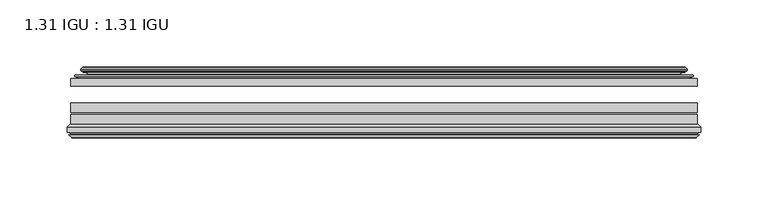
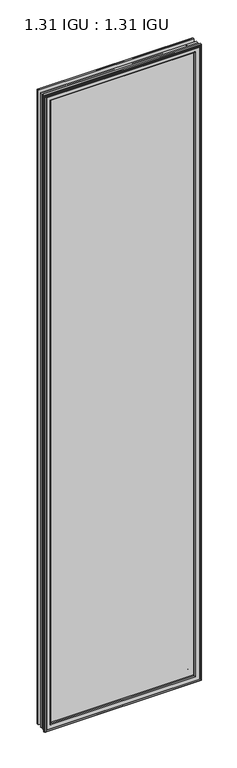
"""IFC4 building model written with IfcOpenShell, lengths in millimetres: plate geometry, 1.31 IGU : 1.31 IGU."""

from ifc_helpers import new_model, si_unit, frame, origin, place, context, project, spatial, polyline, ellipse_curve, outline, extrude, source, transform, mapped, element, save
from ifc_brep_helpers import plane_surface, cylinder_surface, revolved_surface, advanced_brep


def plate_1_31_igu_1_31_igu_45d13396(model_context):
    return source(origin(), model_context, "Body", "SolidModel", [
        extrude(outline(polyline([(233.3575649, -44.8960875), (233.3575649, -50.4332875), (-233.3625, -50.4332875), (-233.3625, -44.8960875), (233.3575649, -44.8960875)])), frame((0.0, 0.0, -14.2875), z_axis=(0.0, 0.0, 1.0), x_axis=(1.0, 0.0, 0.0)), (0.0, 0.0, 1.0), 2009.67848),
        extrude(outline(polyline([(-233.3625, -78.7796875), (-233.3625, -71.7692875), (233.3575649, -71.7692875), (233.3575649, -78.7796875), (-233.3625, -78.7796875)])), frame((0.0, 0.0, -14.2875), z_axis=(0.0, 0.0, 1.0), x_axis=(1.0, 0.0, 0.0)), (0.0, 0.0, 1.0), 2009.67848),
        extrude(outline(polyline([(-233.3625, -70.2452875), (-233.3625, -63.1332875), (233.3575649, -63.1332875), (233.3575649, -70.2452875), (-233.3625, -70.2452875)])), frame((0.0, 0.0, -14.2875), z_axis=(0.0, 0.0, 1.0), x_axis=(1.0, 0.0, 0.0)), (0.0, 0.0, 1.0), 2009.67848),
        advanced_brep(
        [(-224.0171755, -37.7373382, 1986.0456555), (-219.0755426, -36.3108875, 1981.1040226), (-219.0755426, -36.3108875, -0.0005426), (-224.0171755, -37.7373382, -4.9421755), (-223.8520702, -36.9605789, 1985.8805502), (-223.8520702, -36.9605789, -4.7770702), (-224.4475559, -36.4771203, 1986.4760359), (-224.4475559, -36.4771203, -5.3725559), (-225.7121917, -37.766076, 1987.7406717), (-225.7121917, -37.766076, -6.6371917), (-225.7013749, -38.8797852, 1987.7298549), (-225.7013749, -38.8797852, -6.6263749), (-224.4198897, -40.1361433, 1986.4483697), (-224.4198897, -40.1361433, -5.3448897), (-223.8148829, -39.649943, 1985.8433629), (-223.8148829, -39.649943, -4.7398829), (-224.3688972, -39.0959287, 1986.3973772), (-224.3688972, -39.0959287, -5.2938972), (-222.0830887, -38.7029881, 1984.1115687), (-222.0830887, -38.7029881, -3.0080887), (-220.6240157, -40.2107282, 1982.6524957), (-220.6240157, -40.2107282, -1.5490157), (-220.9205976, -41.651269, 1982.9490776), (-220.9205976, -41.651269, -1.8455976), (-221.6918221, -42.2798875, 1983.7203021), (-221.6918221, -42.2798875, -2.6168221), (-229.9957984, -43.4871542, 1992.0242784), (-229.7205969, -42.2798875, 1991.7490769), (-229.7205969, -42.2798875, -10.6455969), (-229.9957984, -43.4871542, -10.9207984), (-226.5382297, -44.8960875, 1988.5667097), (-226.5382297, -44.8960875, -7.4632297), (-215.4406059, -44.023302, 1977.4690859), (-215.7959439, -44.8960875, 1977.8244239), (-215.7959439, -44.8960875, 3.2790561), (-215.4406059, -44.023302, 3.6343941), (-216.111804, -43.3681812, 1978.140284), (-216.111804, -43.3681812, 2.963196), (-217.7525946, -40.6686056, 1979.7810746), (-217.7525946, -40.6686056, 1.3224054), (219.0755426, -36.3108875, -0.0005426), (224.0171755, -37.7373382, -4.9421755), (223.8520702, -36.9605789, -4.7770702), (224.4475559, -36.4771203, -5.3725559), (225.7121917, -37.766076, -6.6371917), (225.7013749, -38.8797852, -6.6263749), (224.4198897, -40.1361433, -5.3448897), (223.8148829, -39.649943, -4.7398829), (224.3688972, -39.0959287, -5.2938972), (222.0830887, -38.7029881, -3.0080887), (220.6240157, -40.2107282, -1.5490157), (220.9205976, -41.651269, -1.8455976), (221.6918221, -42.2798875, -2.6168221), (229.7205969, -42.2798875, -10.6455969), (229.9957984, -43.4871542, -10.9207984), (226.5382297, -44.8960875, -7.4632297), (215.7959439, -44.8960875, 3.2790561), (215.4406059, -44.023302, 3.6343941), (216.111804, -43.3681812, 2.963196), (217.7525946, -40.6686056, 1.3224054), (219.0755426, -36.3108875, 1981.1040226), (224.0171755, -37.7373382, 1986.0456555), (223.8520702, -36.9605789, 1985.8805502), (224.4475559, -36.4771203, 1986.4760359), (225.7121917, -37.766076, 1987.7406717), (225.7013749, -38.8797852, 1987.7298549), (224.4198897, -40.1361433, 1986.4483697), (223.8148829, -39.649943, 1985.8433629), (224.3688972, -39.0959287, 1986.3973772), (222.0830887, -38.7029881, 1984.1115687), (220.6240157, -40.2107282, 1982.6524957), (220.9205976, -41.651269, 1982.9490776), (221.6918221, -42.2798875, 1983.7203021), (229.7205969, -42.2798875, 1991.7490769), (229.9957984, -43.4871542, 1992.0242784), (226.5382297, -44.8960875, 1988.5667097), (215.7959439, -44.8960875, 1977.8244239), (215.4406059, -44.023302, 1977.4690859), (216.111804, -43.3681812, 1978.140284), (217.7525946, -40.6686056, 1979.7810746)],
        [
            (0, 1),
            (1, 2),
            (2, 3),
            (3, 0),
            (4, 0),
            (3, 5),
            (5, 4),
            (6, 4, ellipse_curve(frame((-224.1725871, -36.746901, 1986.2010671), z_axis=(-0.7071067811865475, 0.0, -0.7071067811865475), x_axis=(-0.7071067811865474, 0.0, 0.7071067811865476)), 0.5447741, 0.3852135)),
            (5, 7, ellipse_curve(frame((-224.1725871, -36.746901, -5.0975871), z_axis=(-0.7071067811865475, 0.0, 0.7071067811865475), x_axis=(0.7071067811865474, 0.0, 0.7071067811865476)), 0.5447741, 0.3852135)),
            (7, 6),
            (8, 6),
            (7, 9),
            (9, 8),
            (10, 8, ellipse_curve(frame((-225.1501387, -38.3175243, 1987.1786187), z_axis=(-0.7071067811865475, 0.0, -0.7071067811865475), x_axis=(-0.7071067811865474, 0.0, 0.7071067811865476)), 1.1135518, 0.7874)),
            (9, 11, ellipse_curve(frame((-225.1501387, -38.3175243, -6.0751387), z_axis=(-0.7071067811865475, 0.0, 0.7071067811865475), x_axis=(0.7071067811865474, 0.0, 0.7071067811865476)), 1.1135518, 0.7874)),
            (11, 10),
            (12, 10),
            (11, 13),
            (13, 12),
            (14, 12, ellipse_curve(frame((-224.1462922, -39.8570738, 1986.1747722), z_axis=(-0.7071067811865475, 0.0, -0.7071067811865475), x_axis=(-0.7071067811865474, 0.0, 0.7071067811865476)), 0.552694, 0.3908137)),
            (13, 15, ellipse_curve(frame((-224.1462922, -39.8570738, -5.0712922), z_axis=(-0.7071067811865475, 0.0, 0.7071067811865475), x_axis=(0.7071067811865474, 0.0, 0.7071067811865476)), 0.552694, 0.3908137)),
            (15, 14),
            (16, 14),
            (15, 17),
            (17, 16),
            (18, 16),
            (17, 19),
            (19, 18),
            (20, 18, ellipse_curve(frame((-221.8679261, -39.954629, 1983.8964061), z_axis=(0.7071067811865475, 0.0, 0.7071067811865475), x_axis=(0.7071067811865474, 0.0, -0.7071067811865476)), 1.7960512, 1.27)),
            (19, 21, ellipse_curve(frame((-221.8679261, -39.954629, -2.7929261), z_axis=(0.7071067811865475, 0.0, -0.7071067811865475), x_axis=(-0.7071067811865474, 0.0, -0.7071067811865476)), 1.7960512, 1.27)),
            (21, 20),
            (22, 20),
            (21, 23),
            (23, 22),
            (24, 22, ellipse_curve(frame((-221.6918221, -41.4924875, 1983.7203021), z_axis=(0.7071067811865475, 0.0, 0.7071067811865475), x_axis=(0.7071067811865474, 0.0, -0.7071067811865476)), 1.1135518, 0.7874)),
            (23, 25, ellipse_curve(frame((-221.6918221, -41.4924875, -2.6168221), z_axis=(0.7071067811865475, 0.0, -0.7071067811865475), x_axis=(-0.7071067811865474, 0.0, -0.7071067811865476)), 1.1135518, 0.7874)),
            (25, 24),
            (26, 27, ellipse_curve(frame((-229.7205969, -42.9148875, 1991.7490769), z_axis=(-0.7071067811865475, 0.0, -0.7071067811865475), x_axis=(-0.7071067811865474, 0.0, 0.7071067811865476)), 0.8980256, 0.635)),
            (27, 28),
            (28, 29, ellipse_curve(frame((-229.7205969, -42.9148875, -10.6455969), z_axis=(-0.7071067811865475, 0.0, 0.7071067811865475), x_axis=(0.7071067811865474, 0.0, 0.7071067811865476)), 0.8980256, 0.635)),
            (29, 26),
            (30, 26),
            (29, 31),
            (31, 30),
            (32, 33, ellipse_curve(frame((-215.7959439, -44.3873602, 1977.8244239), z_axis=(-0.7071067811865475, 0.0, -0.7071067811865475), x_axis=(-0.7071067811865474, 0.0, 0.7071067811865476)), 0.719449, 0.5087273)),
            (33, 34),
            (34, 35, ellipse_curve(frame((-215.7959439, -44.3873602, 3.2790561), z_axis=(-0.7071067811865475, 0.0, 0.7071067811865475), x_axis=(0.7071067811865474, 0.0, 0.7071067811865476)), 0.719449, 0.5087273)),
            (35, 32),
            (36, 32),
            (35, 37),
            (37, 36),
            (38, 36, ellipse_curve(frame((-211.6764298, -38.823959, 1973.7049098), z_axis=(0.7071067811865475, 0.0, 0.7071067811865475), x_axis=(0.7071067811865474, 0.0, -0.7071067811865476)), 8.9802561, 6.35)),
            (37, 39, ellipse_curve(frame((-211.6764298, -38.823959, 7.3985702), z_axis=(0.7071067811865475, 0.0, -0.7071067811865475), x_axis=(-0.7071067811865474, 0.0, -0.7071067811865476)), 8.9802561, 6.35)),
            (39, 38),
            (1, 38),
            (39, 2),
            (2, 40),
            (40, 41),
            (41, 3),
            (41, 42),
            (42, 5),
            (42, 43, ellipse_curve(frame((224.1725871, -36.746901, -5.0975871), z_axis=(-0.7071067811865475, 0.0, -0.7071067811865475), x_axis=(-0.7071067811865476, 0.0, 0.7071067811865474)), 0.5447741, 0.3852135)),
            (43, 7),
            (43, 44),
            (44, 9),
            (44, 45, ellipse_curve(frame((225.1501387, -38.3175243, -6.0751387), z_axis=(-0.7071067811865475, 0.0, -0.7071067811865475), x_axis=(-0.7071067811865476, 0.0, 0.7071067811865474)), 1.1135518, 0.7874)),
            (45, 11),
            (45, 46),
            (46, 13),
            (46, 47, ellipse_curve(frame((224.1462922, -39.8570738, -5.0712922), z_axis=(-0.7071067811865475, 0.0, -0.7071067811865475), x_axis=(-0.7071067811865476, 0.0, 0.7071067811865474)), 0.552694, 0.3908137)),
            (47, 15),
            (47, 48),
            (48, 17),
            (48, 49),
            (49, 19),
            (49, 50, ellipse_curve(frame((221.8679261, -39.954629, -2.7929261), z_axis=(0.7071067811865475, 0.0, 0.7071067811865475), x_axis=(0.7071067811865476, 0.0, -0.7071067811865474)), 1.7960512, 1.27)),
            (50, 21),
            (50, 51),
            (51, 23),
            (51, 52, ellipse_curve(frame((221.6918221, -41.4924875, -2.6168221), z_axis=(0.7071067811865475, 0.0, 0.7071067811865475), x_axis=(0.7071067811865476, 0.0, -0.7071067811865474)), 1.1135518, 0.7874)),
            (52, 25),
            (28, 53),
            (53, 54, ellipse_curve(frame((229.7205969, -42.9148875, -10.6455969), z_axis=(-0.7071067811865475, 0.0, -0.7071067811865475), x_axis=(-0.7071067811865476, 0.0, 0.7071067811865474)), 0.8980256, 0.635)),
            (54, 29),
            (54, 55),
            (55, 31),
            (34, 56),
            (56, 57, ellipse_curve(frame((215.7959439, -44.3873602, 3.2790561), z_axis=(-0.7071067811865475, 0.0, -0.7071067811865475), x_axis=(-0.7071067811865476, 0.0, 0.7071067811865474)), 0.719449, 0.5087273)),
            (57, 35),
            (57, 58),
            (58, 37),
            (58, 59, ellipse_curve(frame((211.6764298, -38.823959, 7.3985702), z_axis=(0.7071067811865475, 0.0, 0.7071067811865475), x_axis=(0.7071067811865476, 0.0, -0.7071067811865474)), 8.9802561, 6.35)),
            (59, 39),
            (59, 40),
            (40, 60),
            (60, 61),
            (61, 41),
            (61, 62),
            (62, 42),
            (62, 63, ellipse_curve(frame((224.1725871, -36.746901, 1986.2010671), z_axis=(0.7071067811865475, 0.0, -0.7071067811865475), x_axis=(-0.7071067811865474, 0.0, -0.7071067811865476)), 0.5447741, 0.3852135)),
            (63, 43),
            (63, 64),
            (64, 44),
            (64, 65, ellipse_curve(frame((225.1501387, -38.3175243, 1987.1786187), z_axis=(0.7071067811865475, 0.0, -0.7071067811865475), x_axis=(-0.7071067811865474, 0.0, -0.7071067811865476)), 1.1135518, 0.7874)),
            (65, 45),
            (65, 66),
            (66, 46),
            (66, 67, ellipse_curve(frame((224.1462922, -39.8570738, 1986.1747722), z_axis=(0.7071067811865475, 0.0, -0.7071067811865475), x_axis=(-0.7071067811865474, 0.0, -0.7071067811865476)), 0.552694, 0.3908137)),
            (67, 47),
            (67, 68),
            (68, 48),
            (68, 69),
            (69, 49),
            (69, 70, ellipse_curve(frame((221.8679261, -39.954629, 1983.8964061), z_axis=(-0.7071067811865475, 0.0, 0.7071067811865475), x_axis=(0.7071067811865474, 0.0, 0.7071067811865476)), 1.7960512, 1.27)),
            (70, 50),
            (70, 71),
            (71, 51),
            (71, 72, ellipse_curve(frame((221.6918221, -41.4924875, 1983.7203021), z_axis=(-0.7071067811865475, 0.0, 0.7071067811865475), x_axis=(0.7071067811865474, 0.0, 0.7071067811865476)), 1.1135518, 0.7874)),
            (72, 52),
            (53, 73),
            (73, 74, ellipse_curve(frame((229.7205969, -42.9148875, 1991.7490769), z_axis=(0.7071067811865475, 0.0, -0.7071067811865475), x_axis=(-0.7071067811865474, 0.0, -0.7071067811865476)), 0.8980256, 0.635)),
            (74, 54),
            (74, 75),
            (75, 55),
            (56, 76),
            (76, 77, ellipse_curve(frame((215.7959439, -44.3873602, 1977.8244239), z_axis=(0.7071067811865475, 0.0, -0.7071067811865475), x_axis=(-0.7071067811865474, 0.0, -0.7071067811865476)), 0.719449, 0.5087273)),
            (77, 57),
            (77, 78),
            (78, 58),
            (78, 79, ellipse_curve(frame((211.6764298, -38.823959, 1973.7049098), z_axis=(-0.7071067811865475, 0.0, 0.7071067811865475), x_axis=(0.7071067811865474, 0.0, 0.7071067811865476)), 8.9802561, 6.35)),
            (79, 59),
            (79, 60),
            (60, 1),
            (0, 61),
            (4, 62),
            (6, 63),
            (8, 64),
            (10, 65),
            (12, 66),
            (14, 67),
            (16, 68),
            (18, 69),
            (20, 70),
            (22, 71),
            (24, 72),
            (27, 73),
            (26, 74),
            (30, 75),
            (33, 76),
            (32, 77),
            (36, 78),
            (38, 79),
        ],
        [
            plane_surface(frame((-219.0755426, -36.3108875, 1981.1040226), z_axis=(-0.2773364928492854, 0.9607728502273877, 0.0), x_axis=(0.0, 0.0, -1.0))),
            plane_surface(frame((-224.0171755, -37.7373382, 1986.0456555), z_axis=(0.9781476007338358, -0.2079116908176177, 0.0), x_axis=(0.0, 0.0, -1.0))),
            cylinder_surface(frame((-224.1725871, -36.746901, 2012.85348), z_axis=(0.0, 0.0, 1.0), x_axis=(-1.0, 0.0, 0.0)), 0.3852135),
            plane_surface(frame((-224.4475559, -36.4771203, 1986.4760359), z_axis=(-0.7138087599382162, 0.7003406701280928, 0.0), x_axis=(0.0, 0.0, -1.0))),
            cylinder_surface(frame((-225.1501387, -38.3175243, 2012.85348), z_axis=(0.0, 0.0, 1.0), x_axis=(-1.0, 0.0, 0.0)), 0.7874),
            plane_surface(frame((-225.7013749, -38.8797852, 1987.7298549), z_axis=(-0.7000714109283732, -0.7140728391423082, 0.0), x_axis=(0.0, 0.0, -1.0))),
            cylinder_surface(frame((-224.1462922, -39.8570738, 2012.85348), z_axis=(0.0, 0.0, 1.0), x_axis=(-1.0, 0.0, 0.0)), 0.3908137),
            plane_surface(frame((-223.8148829, -39.649943, 1985.8433629), z_axis=(0.7071067811861126, 0.7071067811869826, 0.0), x_axis=(0.0, 0.0, -1.0))),
            plane_surface(frame((-224.3688972, -39.0959287, 1986.3973772), z_axis=(0.16941940671011482, -0.9855440449974789, 0.0), x_axis=(0.0, 0.0, -1.0))),
            revolved_surface(polyline([(-223.13792610000002, -39.954629, -4.062926082878221), (-223.13792610000002, -39.954629, 1985.1664060828782)]), (-221.8679261, -39.954629, 2012.85348), (0.0, 0.0, -1.0)),
            plane_surface(frame((-220.6240157, -40.2107282, 1982.6524957), z_axis=(-0.9794570432566897, 0.201652920670302, 0.0), x_axis=(0.0, 0.0, -1.0))),
            revolved_surface(polyline([(-222.4792221, -41.4924875, -3.4042221289826102), (-222.4792221, -41.4924875, 1984.5077021289826)]), (-221.6918221, -41.4924875, 2012.85348), (0.0, 0.0, -1.0)),
            cylinder_surface(frame((-229.7205969, -42.9148875, 2012.85348), z_axis=(0.0, 0.0, 1.0), x_axis=(-1.0, 0.0, 0.0)), 0.635),
            plane_surface(frame((-229.9957984, -43.4871542, 1992.0242784), z_axis=(-0.37736447542757934, -0.9260648209954139, 0.0), x_axis=(0.0, 0.0, -1.0))),
            cylinder_surface(frame((-215.7959439, -44.3873602, 2012.85348), z_axis=(0.0, 0.0, 1.0), x_axis=(-1.0, 0.0, 0.0)), 0.5087273),
            plane_surface(frame((-215.4406059, -44.023302, 1977.4690859), z_axis=(0.698484125849927, 0.7156255486884628, 0.0), x_axis=(0.0, 0.0, -1.0))),
            revolved_surface(polyline([(-218.0264298, -38.823959, 1.0485702148980636), (-218.0264298, -38.823959, 1980.054909785102)]), (-211.6764298, -38.823959, 2012.85348), (0.0, 0.0, -1.0)),
            plane_surface(frame((-217.7525946, -40.6686056, 1979.7810746), z_axis=(0.9568763473517009, 0.2904955350411895, 0.0), x_axis=(0.0, 0.0, -1.0))),
            plane_surface(frame((-219.0755426, -36.3108875, -0.0005426), z_axis=(0.0, 0.9607728502273868, -0.2773364928492885), x_axis=(1.0, 0.0, 0.0))),
            plane_surface(frame((-224.0171755, -37.7373382, -4.9421755), z_axis=(0.0, -0.20791169081761454, 0.9781476007338364), x_axis=(1.0, 0.0, 0.0))),
            cylinder_surface(frame((-250.825, -36.746901, -5.0975871), z_axis=(-1.0, 0.0, 0.0), x_axis=(0.0, 0.0, -1.0)), 0.3852135),
            plane_surface(frame((-224.4475559, -36.4771203, -5.3725559), z_axis=(0.0, 0.7003406701280904, -0.7138087599382185), x_axis=(1.0, 0.0, 0.0))),
            cylinder_surface(frame((-250.825, -38.3175243, -6.0751387), z_axis=(-1.0, 0.0, 0.0), x_axis=(0.0, 0.0, -1.0)), 0.7874),
            plane_surface(frame((-225.7013749, -38.8797852, -6.6263749), z_axis=(0.0, -0.7140728391423105, -0.7000714109283709), x_axis=(1.0, 0.0, 0.0))),
            cylinder_surface(frame((-250.825, -39.8570738, -5.0712922), z_axis=(-1.0, 0.0, 0.0), x_axis=(0.0, 0.0, -1.0)), 0.3908137),
            plane_surface(frame((-223.8148829, -39.649943, -4.7398829), z_axis=(0.0, 0.7071067811869849, 0.7071067811861103), x_axis=(1.0, 0.0, 0.0))),
            plane_surface(frame((-224.3688972, -39.0959287, -5.2938972), z_axis=(0.0, -0.9855440449974784, 0.16941940671011801), x_axis=(1.0, 0.0, 0.0))),
            revolved_surface(polyline([(223.13792608287827, -39.954629, -4.0629261), (-223.13792608287824, -39.954629, -4.0629261)]), (-250.825, -39.954629, -2.7929261), (1.0, 0.0, 0.0)),
            plane_surface(frame((-220.6240157, -40.2107282, -1.5490157), z_axis=(0.0, 0.20165292067029883, -0.9794570432566904), x_axis=(1.0, 0.0, 0.0))),
            revolved_surface(polyline([(222.47922212898249, -41.4924875, -3.4042220999999997), (-222.47922212898249, -41.4924875, -3.4042220999999997)]), (-250.825, -41.4924875, -2.6168221), (1.0, 0.0, 0.0)),
            cylinder_surface(frame((-250.825, -42.9148875, -10.6455969), z_axis=(-1.0, 0.0, 0.0), x_axis=(0.0, 0.0, -1.0)), 0.635),
            plane_surface(frame((-229.9957984, -43.4871542, -10.9207984), z_axis=(0.0, -0.9260648209954151, -0.37736447542757634), x_axis=(1.0, 0.0, 0.0))),
            cylinder_surface(frame((-250.825, -44.3873602, 3.2790561), z_axis=(-1.0, 0.0, 0.0), x_axis=(0.0, 0.0, -1.0)), 0.5087273),
            plane_surface(frame((-215.4406059, -44.023302, 3.6343941), z_axis=(0.0, 0.7156255486884651, 0.6984841258499247), x_axis=(1.0, 0.0, 0.0))),
            revolved_surface(polyline([(218.02642978510187, -38.823959, 1.0485702000000003), (-218.02642978510187, -38.823959, 1.0485702000000003)]), (-250.825, -38.823959, 7.3985702), (1.0, 0.0, 0.0)),
            plane_surface(frame((-217.7525946, -40.6686056, 1.3224054), z_axis=(0.0, 0.29049553504119263, 0.9568763473517), x_axis=(1.0, 0.0, 0.0))),
            plane_surface(frame((219.0755426, -36.3108875, -0.0005426), z_axis=(0.2773364928492916, 0.9607728502273859, 0.0), x_axis=(0.0, 0.0, 1.0))),
            plane_surface(frame((224.0171755, -37.7373382, -4.9421755), z_axis=(-0.9781476007338371, -0.20791169081761138, 0.0), x_axis=(0.0, 0.0, 1.0))),
            cylinder_surface(frame((224.1725871, -36.746901, -31.75), z_axis=(0.0, 0.0, -1.0), x_axis=(1.0, 0.0, 0.0)), 0.3852135),
            plane_surface(frame((224.4475559, -36.4771203, -5.3725559), z_axis=(0.7138087599382208, 0.7003406701280882, 0.0), x_axis=(0.0, 0.0, 1.0))),
            cylinder_surface(frame((225.1501387, -38.3175243, -31.75), z_axis=(0.0, 0.0, -1.0), x_axis=(1.0, 0.0, 0.0)), 0.7874),
            plane_surface(frame((225.7013749, -38.8797852, -6.6263749), z_axis=(0.7000714109283687, -0.7140728391423128, 0.0), x_axis=(0.0, 0.0, 1.0))),
            cylinder_surface(frame((224.1462922, -39.8570738, -31.75), z_axis=(0.0, 0.0, -1.0), x_axis=(1.0, 0.0, 0.0)), 0.3908137),
            plane_surface(frame((223.8148829, -39.649943, -4.7398829), z_axis=(-0.7071067811861079, 0.7071067811869872, 0.0), x_axis=(0.0, 0.0, 1.0))),
            plane_surface(frame((224.3688972, -39.0959287, -5.2938972), z_axis=(-0.1694194067101212, -0.9855440449974778, 0.0), x_axis=(0.0, 0.0, 1.0))),
            revolved_surface(polyline([(223.13792610000002, -39.954629, 1985.1664060828782), (223.13792610000002, -39.954629, -4.062926082878235)]), (221.8679261, -39.954629, -31.75), (0.0, 0.0, 1.0)),
            plane_surface(frame((220.6240157, -40.2107282, -1.5490157), z_axis=(0.979457043256691, 0.20165292067029567, 0.0), x_axis=(0.0, 0.0, 1.0))),
            revolved_surface(polyline([(222.4792221, -41.4924875, 1984.5077021289826), (222.4792221, -41.4924875, -3.404222128982486)]), (221.6918221, -41.4924875, -31.75), (0.0, 0.0, 1.0)),
            cylinder_surface(frame((229.7205969, -42.9148875, -31.75), z_axis=(0.0, 0.0, -1.0), x_axis=(1.0, 0.0, 0.0)), 0.635),
            plane_surface(frame((229.9957984, -43.4871542, -10.9207984), z_axis=(0.37736447542757334, -0.9260648209954163, 0.0), x_axis=(0.0, 0.0, 1.0))),
            cylinder_surface(frame((215.7959439, -44.3873602, -31.75), z_axis=(0.0, 0.0, -1.0), x_axis=(1.0, 0.0, 0.0)), 0.5087273),
            plane_surface(frame((215.4406059, -44.023302, 3.6343941), z_axis=(-0.6984841258499224, 0.7156255486884673, 0.0), x_axis=(0.0, 0.0, 1.0))),
            revolved_surface(polyline([(218.0264298, -38.823959, 1980.054909785102), (218.0264298, -38.823959, 1.0485702148981417)]), (211.6764298, -38.823959, -31.75), (0.0, 0.0, 1.0)),
            plane_surface(frame((217.7525946, -40.6686056, 1.3224054), z_axis=(-0.9568763473516991, 0.29049553504119574, 0.0), x_axis=(0.0, 0.0, 1.0))),
            plane_surface(frame((219.0755426, -36.3108875, 1981.1040226), z_axis=(0.0, 0.9607728502273868, 0.2773364928492885), x_axis=(-1.0, 0.0, 0.0))),
            plane_surface(frame((224.0171755, -37.7373382, 1986.0456555), z_axis=(0.0, -0.20791169081761454, -0.9781476007338364), x_axis=(-1.0, 0.0, 0.0))),
            cylinder_surface(frame((250.825, -36.746901, 1986.2010671), z_axis=(1.0, 0.0, 0.0), x_axis=(0.0, 0.0, 1.0)), 0.3852135),
            plane_surface(frame((224.4475559, -36.4771203, 1986.4760359), z_axis=(0.0, 0.7003406701280904, 0.7138087599382185), x_axis=(-1.0, 0.0, 0.0))),
            cylinder_surface(frame((250.825, -38.3175243, 1987.1786187), z_axis=(1.0, 0.0, 0.0), x_axis=(0.0, 0.0, 1.0)), 0.7874),
            plane_surface(frame((225.7013749, -38.8797852, 1987.7298549), z_axis=(0.0, -0.7140728391423106, 0.700071410928371), x_axis=(-1.0, 0.0, 0.0))),
            cylinder_surface(frame((250.825, -39.8570738, 1986.1747722), z_axis=(1.0, 0.0, 0.0), x_axis=(0.0, 0.0, 1.0)), 0.3908137),
            plane_surface(frame((223.8148829, -39.649943, 1985.8433629), z_axis=(0.0, 0.7071067811869849, -0.7071067811861103), x_axis=(-1.0, 0.0, 0.0))),
            plane_surface(frame((224.3688972, -39.0959287, 1986.3973772), z_axis=(0.0, -0.9855440449974784, -0.16941940671011801), x_axis=(-1.0, 0.0, 0.0))),
            revolved_surface(polyline([(-223.13792608287827, -39.954629, 1985.1664061), (223.13792608287824, -39.954629, 1985.1664061)]), (250.825, -39.954629, 1983.8964061), (-1.0, 0.0, 0.0)),
            plane_surface(frame((220.6240157, -40.2107282, 1982.6524957), z_axis=(0.0, 0.20165292067029883, 0.9794570432566904), x_axis=(-1.0, 0.0, 0.0))),
            revolved_surface(polyline([(-222.47922212898249, -41.4924875, 1984.5077021), (222.47922212898249, -41.4924875, 1984.5077021)]), (250.825, -41.4924875, 1983.7203021), (-1.0, 0.0, 0.0)),
            plane_surface(frame((221.6918221, -42.2798875, 1983.7203021), z_axis=(0.0, 1.0, 0.0), x_axis=(-1.0, 0.0, 0.0))),
            cylinder_surface(frame((250.825, -42.9148875, 1991.7490769), z_axis=(1.0, 0.0, 0.0), x_axis=(0.0, 0.0, 1.0)), 0.635),
            plane_surface(frame((229.9957984, -43.4871542, 1992.0242784), z_axis=(0.0, -0.9260648209954151, 0.37736447542757634), x_axis=(-1.0, 0.0, 0.0))),
            plane_surface(frame((226.5382297, -44.8960875, 1988.5667097), z_axis=(0.0, -1.0, 0.0), x_axis=(-1.0, 0.0, 0.0))),
            cylinder_surface(frame((250.825, -44.3873602, 1977.8244239), z_axis=(1.0, 0.0, 0.0), x_axis=(0.0, 0.0, 1.0)), 0.5087273),
            plane_surface(frame((215.4406059, -44.023302, 1977.4690859), z_axis=(0.0, 0.7156255486884651, -0.6984841258499247), x_axis=(-1.0, 0.0, 0.0))),
            revolved_surface(polyline([(-218.02642978510187, -38.823959, 1980.0549098), (218.02642978510187, -38.823959, 1980.0549098)]), (250.825, -38.823959, 1973.7049098), (-1.0, 0.0, 0.0)),
            plane_surface(frame((217.7525946, -40.6686056, 1979.7810746), z_axis=(0.0, 0.29049553504119263, -0.9568763473517), x_axis=(-1.0, 0.0, 0.0))),
        ],
        [
            (0, [[1, 2, 3, 4]]),
            (1, [[5, -4, 6, 7]]),
            (2, [[8, -7, 9, 10]]),
            (3, [[11, -10, 12, 13]]),
            (4, [[14, -13, 15, 16]]),
            (5, [[17, -16, 18, 19]]),
            (6, [[20, -19, 21, 22]]),
            (7, [[23, -22, 24, 25]]),
            (8, [[26, -25, 27, 28]]),
            (9, [[29, -28, 30, 31]]),
            (10, [[32, -31, 33, 34]]),
            (11, [[35, -34, 36, 37]]),
            (12, [[38, 39, 40, 41]]),
            (13, [[42, -41, 43, 44]]),
            (14, [[45, 46, 47, 48]]),
            (15, [[49, -48, 50, 51]]),
            (16, [[52, -51, 53, 54]]),
            (17, [[55, -54, 56, -2]]),
            (18, [[-3, 57, 58, 59]]),
            (19, [[-6, -59, 60, 61]]),
            (20, [[-9, -61, 62, 63]]),
            (21, [[-12, -63, 64, 65]]),
            (22, [[-15, -65, 66, 67]]),
            (23, [[-18, -67, 68, 69]]),
            (24, [[-21, -69, 70, 71]]),
            (25, [[-24, -71, 72, 73]]),
            (26, [[-27, -73, 74, 75]]),
            (27, [[-30, -75, 76, 77]]),
            (28, [[-33, -77, 78, 79]]),
            (29, [[-36, -79, 80, 81]]),
            (30, [[-40, 82, 83, 84]]),
            (31, [[-43, -84, 85, 86]]),
            (32, [[-47, 87, 88, 89]]),
            (33, [[-50, -89, 90, 91]]),
            (34, [[-53, -91, 92, 93]]),
            (35, [[-56, -93, 94, -57]]),
            (36, [[-58, 95, 96, 97]]),
            (37, [[-60, -97, 98, 99]]),
            (38, [[-62, -99, 100, 101]]),
            (39, [[-64, -101, 102, 103]]),
            (40, [[-66, -103, 104, 105]]),
            (41, [[-68, -105, 106, 107]]),
            (42, [[-70, -107, 108, 109]]),
            (43, [[-72, -109, 110, 111]]),
            (44, [[-74, -111, 112, 113]]),
            (45, [[-76, -113, 114, 115]]),
            (46, [[-78, -115, 116, 117]]),
            (47, [[-80, -117, 118, 119]]),
            (48, [[-83, 120, 121, 122]]),
            (49, [[-85, -122, 123, 124]]),
            (50, [[-88, 125, 126, 127]]),
            (51, [[-90, -127, 128, 129]]),
            (52, [[-92, -129, 130, 131]]),
            (53, [[-94, -131, 132, -95]]),
            (54, [[-96, 133, -1, 134]]),
            (55, [[-98, -134, -5, 135]]),
            (56, [[-100, -135, -8, 136]]),
            (57, [[-102, -136, -11, 137]]),
            (58, [[-104, -137, -14, 138]]),
            (59, [[-106, -138, -17, 139]]),
            (60, [[-108, -139, -20, 140]]),
            (61, [[-110, -140, -23, 141]]),
            (62, [[-112, -141, -26, 142]]),
            (63, [[-114, -142, -29, 143]]),
            (64, [[-116, -143, -32, 144]]),
            (65, [[-118, -144, -35, 145]]),
            (66, [[146, -120, -82, -39], [-81, -119, -145, -37]]),
            (67, [[-121, -146, -38, 147]]),
            (68, [[-123, -147, -42, 148]]),
            (69, [[-86, -124, -148, -44], [149, -125, -87, -46]]),
            (70, [[-126, -149, -45, 150]]),
            (71, [[-128, -150, -49, 151]]),
            (72, [[-130, -151, -52, 152]]),
            (73, [[-132, -152, -55, -133]]),
        ],
    ),
        advanced_brep(
        [(-216.3874494, -83.3389875, 1978.4159294), (-218.1625155, -85.1296875, 1980.1909955), (-218.1625155, -85.1296875, 0.9124845), (-216.3874494, -83.3389875, 2.6875506), (-215.3642401, -78.7796875, 1977.3927201), (-215.3642401, -78.7796875, 3.7107599), (-235.9449491, -80.9740477, 1997.9734291), (-233.7505889, -78.7796875, 1995.7790689), (-233.7505889, -78.7796875, -14.6755889), (-235.9449491, -80.9740477, -16.8699491), (-235.9449491, -85.1296875, 1997.9734291), (-235.9449491, -85.1296875, -16.8699491), (-233.4198889, -86.3747112, 1995.4483689), (-234.1711159, -85.1296875, 1996.1995959), (-234.1711159, -85.1296875, -15.0961159), (-233.4198889, -86.3747112, -14.3448889), (-233.1103598, -87.6502863, 1995.1388398), (-233.1103598, -87.6502863, -14.0353598), (-234.1284732, -87.2076396, 1996.1569532), (-234.1284732, -87.2076396, -15.0534732), (-232.4414838, -88.8840626, 1994.4699638), (-234.9231832, -87.2076396, 1996.9516632), (-234.9231832, -87.2076396, -15.8481832), (-232.4414838, -88.8840626, -13.3664838), (-230.2896584, -86.9401656, 1992.3181384), (-230.2896584, -86.9401656, -11.2146584), (-231.9970126, -87.5528811, 1994.0254926), (-231.0712314, -86.9401656, 1993.0997114), (-231.0712314, -86.9401656, -11.9962314), (-231.9970126, -87.5528811, -12.9220126), (-231.9136873, -86.2429356, 1993.9421673), (-231.9136873, -86.2429356, -12.8386873), (-231.3154492, -85.1296875, 1993.3439292), (-231.3154492, -85.1296875, -12.2404492), (218.1625155, -85.1296875, 0.9124845), (216.3874494, -83.3389875, 2.6875506), (215.3642401, -78.7796875, 3.7107599), (233.7505889, -78.7796875, -14.6755889), (235.9449491, -80.9740477, -16.8699491), (235.9449491, -85.1296875, -16.8699491), (234.1711159, -85.1296875, -15.0961159), (233.4198889, -86.3747112, -14.3448889), (233.1103598, -87.6502863, -14.0353598), (234.1284732, -87.2076396, -15.0534732), (234.9231832, -87.2076396, -15.8481832), (232.4414838, -88.8840626, -13.3664838), (230.2896584, -86.9401656, -11.2146584), (231.0712314, -86.9401656, -11.9962314), (231.9970126, -87.5528811, -12.9220126), (231.9136873, -86.2429356, -12.8386873), (231.3154492, -85.1296875, -12.2404492), (218.1625155, -85.1296875, 1980.1909955), (216.3874494, -83.3389875, 1978.4159294), (215.3642401, -78.7796875, 1977.3927201), (233.7505889, -78.7796875, 1995.7790689), (235.9449491, -80.9740477, 1997.9734291), (235.9449491, -85.1296875, 1997.9734291), (234.1711159, -85.1296875, 1996.1995959), (233.4198889, -86.3747112, 1995.4483689), (233.1103598, -87.6502863, 1995.1388398), (234.1284732, -87.2076396, 1996.1569532), (234.9231832, -87.2076396, 1996.9516632), (232.4414838, -88.8840626, 1994.4699638), (230.2896584, -86.9401656, 1992.3181384), (231.0712314, -86.9401656, 1993.0997114), (231.9970126, -87.5528811, 1994.0254926), (231.9136873, -86.2429356, 1993.9421673), (231.3154492, -85.1296875, 1993.3439292)],
        [
            (0, 1, ellipse_curve(frame((-218.4139505, -83.1053133, 1980.4424305), z_axis=(-0.7071067811865475, 0.0, -0.7071067811865475), x_axis=(-0.7071067811865474, 0.0, 0.7071067811865476)), 2.8848953, 2.039929)),
            (1, 2),
            (2, 3, ellipse_curve(frame((-218.4139505, -83.1053133, 0.6610495), z_axis=(-0.7071067811865475, 0.0, 0.7071067811865475), x_axis=(0.7071067811865474, 0.0, 0.7071067811865476)), 2.8848953, 2.039929)),
            (3, 0),
            (4, 0),
            (3, 5),
            (5, 4),
            (6, 7),
            (7, 8),
            (8, 9),
            (9, 6),
            (10, 6),
            (9, 11),
            (11, 10),
            (12, 13),
            (13, 14),
            (14, 15),
            (15, 12),
            (16, 12),
            (15, 17),
            (17, 16),
            (18, 16),
            (17, 19),
            (19, 18),
            (20, 21),
            (21, 22),
            (22, 23),
            (23, 20),
            (24, 20),
            (23, 25),
            (25, 24),
            (26, 27),
            (27, 28),
            (28, 29),
            (29, 26),
            (30, 26),
            (29, 31),
            (31, 30),
            (32, 30),
            (31, 33),
            (33, 32),
            (2, 34),
            (34, 35, ellipse_curve(frame((218.4139505, -83.1053133, 0.6610495), z_axis=(-0.7071067811865475, 0.0, -0.7071067811865475), x_axis=(-0.7071067811865476, 0.0, 0.7071067811865474)), 2.8848953, 2.039929)),
            (35, 3),
            (35, 36),
            (36, 5),
            (8, 37),
            (37, 38),
            (38, 9),
            (38, 39),
            (39, 11),
            (14, 40),
            (40, 41),
            (41, 15),
            (41, 42),
            (42, 17),
            (42, 43),
            (43, 19),
            (22, 44),
            (44, 45),
            (45, 23),
            (45, 46),
            (46, 25),
            (28, 47),
            (47, 48),
            (48, 29),
            (48, 49),
            (49, 31),
            (49, 50),
            (50, 33),
            (34, 51),
            (51, 52, ellipse_curve(frame((218.4139505, -83.1053133, 1980.4424305), z_axis=(0.7071067811865475, 0.0, -0.7071067811865475), x_axis=(-0.7071067811865474, 0.0, -0.7071067811865476)), 2.8848953, 2.039929)),
            (52, 35),
            (52, 53),
            (53, 36),
            (37, 54),
            (54, 55),
            (55, 38),
            (55, 56),
            (56, 39),
            (40, 57),
            (57, 58),
            (58, 41),
            (58, 59),
            (59, 42),
            (59, 60),
            (60, 43),
            (44, 61),
            (61, 62),
            (62, 45),
            (62, 63),
            (63, 46),
            (47, 64),
            (64, 65),
            (65, 48),
            (65, 66),
            (66, 49),
            (66, 67),
            (67, 50),
            (51, 1),
            (0, 52),
            (4, 53),
            (7, 54),
            (6, 55),
            (10, 56),
            (13, 57),
            (12, 58),
            (16, 59),
            (18, 60),
            (21, 61),
            (20, 62),
            (24, 63),
            (27, 64),
            (26, 65),
            (30, 66),
            (32, 67),
        ],
        [
            cylinder_surface(frame((-218.4139505, -83.1053133, 2012.85348), z_axis=(0.0, 0.0, 1.0), x_axis=(-1.0, 0.0, 0.0)), 2.039929),
            plane_surface(frame((-216.3874494, -83.3389875, 1978.4159294), z_axis=(0.9757302952562701, -0.2189757770145185, 0.0), x_axis=(0.0, 0.0, -1.0))),
            plane_surface(frame((-233.7505889, -78.7796875, 1995.7790689), z_axis=(-0.7071067811871722, 0.7071067811859229, 0.0), x_axis=(0.0, 0.0, -1.0))),
            plane_surface(frame((-235.9449491, -80.9740477, 1997.9734291), z_axis=(-1.0, 0.0, 0.0), x_axis=(0.0, 0.0, -1.0))),
            plane_surface(frame((-234.1711159, -85.1296875, 1996.1995959), z_axis=(-0.8562121193263807, -0.516624434883434, 0.0), x_axis=(0.0, 0.0, -1.0))),
            plane_surface(frame((-233.4198889, -86.3747112, 1995.4483689), z_axis=(-0.9717979666139347, -0.23581499546259124, 0.0), x_axis=(0.0, 0.0, -1.0))),
            plane_surface(frame((-233.1103598, -87.6502863, 1995.1388398), z_axis=(0.3987175451776161, 0.9170737806564615, 0.0), x_axis=(0.0, 0.0, -1.0))),
            plane_surface(frame((-234.9231832, -87.2076396, 1996.9516632), z_axis=(-0.5597655002239059, -0.8286510633306884, 0.0), x_axis=(0.0, 0.0, -1.0))),
            plane_surface(frame((-232.4414838, -88.8840626, 1994.4699638), z_axis=(0.670345652676111, -0.7420489916024674, 0.0), x_axis=(0.0, 0.0, -1.0))),
            plane_surface(frame((-231.0712314, -86.9401656, 1993.0997114), z_axis=(-0.5519083205498945, 0.8339047941508642, 0.0), x_axis=(0.0, 0.0, -1.0))),
            plane_surface(frame((-231.9970126, -87.5528811, 1994.0254926), z_axis=(0.9979830161114805, -0.06348148984572213, 0.0), x_axis=(0.0, 0.0, -1.0))),
            plane_surface(frame((-231.9136873, -86.2429356, 1993.9421673), z_axis=(0.8808682216207324, -0.47336157019632297, 0.0), x_axis=(0.0, 0.0, -1.0))),
            cylinder_surface(frame((-250.825, -83.1053133, 0.6610495), z_axis=(-1.0, 0.0, 0.0), x_axis=(0.0, 0.0, -1.0)), 2.039929),
            plane_surface(frame((-216.3874494, -83.3389875, 2.6875506), z_axis=(0.0, -0.21897577701451534, 0.9757302952562708), x_axis=(1.0, 0.0, 0.0))),
            plane_surface(frame((-233.7505889, -78.7796875, -14.6755889), z_axis=(0.0, 0.7071067811859205, -0.7071067811871745), x_axis=(1.0, 0.0, 0.0))),
            plane_surface(frame((-235.9449491, -80.9740477, -16.8699491), z_axis=(0.0, 0.0, -1.0), x_axis=(1.0, 0.0, 0.0))),
            plane_surface(frame((-234.1711159, -85.1296875, -15.0961159), z_axis=(0.0, -0.5166244348834368, -0.8562121193263791), x_axis=(1.0, 0.0, 0.0))),
            plane_surface(frame((-233.4198889, -86.3747112, -14.3448889), z_axis=(0.0, -0.23581499546259438, -0.9717979666139339), x_axis=(1.0, 0.0, 0.0))),
            plane_surface(frame((-233.1103598, -87.6502863, -14.0353598), z_axis=(0.0, 0.9170737806564628, 0.39871754517761315), x_axis=(1.0, 0.0, 0.0))),
            plane_surface(frame((-234.9231832, -87.2076396, -15.8481832), z_axis=(0.0, -0.8286510633306902, -0.5597655002239033), x_axis=(1.0, 0.0, 0.0))),
            plane_surface(frame((-232.4414838, -88.8840626, -13.3664838), z_axis=(0.0, -0.7420489916024652, 0.6703456526761135), x_axis=(1.0, 0.0, 0.0))),
            plane_surface(frame((-231.0712314, -86.9401656, -11.9962314), z_axis=(0.0, 0.8339047941508624, -0.5519083205498971), x_axis=(1.0, 0.0, 0.0))),
            plane_surface(frame((-231.9970126, -87.5528811, -12.9220126), z_axis=(0.0, -0.0634814898457189, 0.9979830161114808), x_axis=(1.0, 0.0, 0.0))),
            plane_surface(frame((-231.9136873, -86.2429356, -12.8386873), z_axis=(0.0, -0.47336157019632014, 0.880868221620734), x_axis=(1.0, 0.0, 0.0))),
            cylinder_surface(frame((218.4139505, -83.1053133, -31.75), z_axis=(0.0, 0.0, -1.0), x_axis=(1.0, 0.0, 0.0)), 2.039929),
            plane_surface(frame((216.3874494, -83.3389875, 2.6875506), z_axis=(-0.9757302952562714, -0.21897577701451218, 0.0), x_axis=(0.0, 0.0, 1.0))),
            plane_surface(frame((233.7505889, -78.7796875, -14.6755889), z_axis=(0.7071067811871768, 0.7071067811859182, 0.0), x_axis=(0.0, 0.0, 1.0))),
            plane_surface(frame((235.9449491, -80.9740477, -16.8699491), z_axis=(1.0, 0.0, 0.0), x_axis=(0.0, 0.0, 1.0))),
            plane_surface(frame((234.1711159, -85.1296875, -15.0961159), z_axis=(0.8562121193263774, -0.5166244348834396, 0.0), x_axis=(0.0, 0.0, 1.0))),
            plane_surface(frame((233.4198889, -86.3747112, -14.3448889), z_axis=(0.9717979666139331, -0.23581499546259752, 0.0), x_axis=(0.0, 0.0, 1.0))),
            plane_surface(frame((233.1103598, -87.6502863, -14.0353598), z_axis=(-0.3987175451776102, 0.9170737806564642, 0.0), x_axis=(0.0, 0.0, 1.0))),
            plane_surface(frame((234.9231832, -87.2076396, -15.8481832), z_axis=(0.5597655002239006, -0.8286510633306919, 0.0), x_axis=(0.0, 0.0, 1.0))),
            plane_surface(frame((232.4414838, -88.8840626, -13.3664838), z_axis=(-0.6703456526761159, -0.742048991602463, 0.0), x_axis=(0.0, 0.0, 1.0))),
            plane_surface(frame((231.0712314, -86.9401656, -11.9962314), z_axis=(0.5519083205498998, 0.8339047941508606, 0.0), x_axis=(0.0, 0.0, 1.0))),
            plane_surface(frame((231.9970126, -87.5528811, -12.9220126), z_axis=(-0.997983016111481, -0.06348148984571567, 0.0), x_axis=(0.0, 0.0, 1.0))),
            plane_surface(frame((231.9136873, -86.2429356, -12.8386873), z_axis=(-0.8808682216207355, -0.4733615701963173, 0.0), x_axis=(0.0, 0.0, 1.0))),
            cylinder_surface(frame((250.825, -83.1053133, 1980.4424305), z_axis=(1.0, 0.0, 0.0), x_axis=(0.0, 0.0, 1.0)), 2.039929),
            plane_surface(frame((216.3874494, -83.3389875, 1978.4159294), z_axis=(0.0, -0.21897577701451534, -0.9757302952562708), x_axis=(-1.0, 0.0, 0.0))),
            plane_surface(frame((215.3642401, -78.7796875, 1977.3927201), z_axis=(0.0, 1.0, 0.0), x_axis=(-1.0, 0.0, 0.0))),
            plane_surface(frame((233.7505889, -78.7796875, 1995.7790689), z_axis=(0.0, 0.7071067811859205, 0.7071067811871745), x_axis=(-1.0, 0.0, 0.0))),
            plane_surface(frame((235.9449491, -80.9740477, 1997.9734291), z_axis=(0.0, 0.0, 1.0), x_axis=(-1.0, 0.0, 0.0))),
            plane_surface(frame((235.9449491, -85.1296875, 1997.9734291), z_axis=(0.0, -1.0, 0.0), x_axis=(-1.0, 0.0, 0.0))),
            plane_surface(frame((234.1711159, -85.1296875, 1996.1995959), z_axis=(0.0, -0.5166244348834368, 0.8562121193263791), x_axis=(-1.0, 0.0, 0.0))),
            plane_surface(frame((233.4198889, -86.3747112, 1995.4483689), z_axis=(0.0, -0.23581499546259438, 0.9717979666139339), x_axis=(-1.0, 0.0, 0.0))),
            plane_surface(frame((233.1103598, -87.6502863, 1995.1388398), z_axis=(0.0, 0.9170737806564628, -0.39871754517761315), x_axis=(-1.0, 0.0, 0.0))),
            plane_surface(frame((234.1284732, -87.2076396, 1996.1569532), z_axis=(0.0, 1.0, 0.0), x_axis=(-1.0, 0.0, 0.0))),
            plane_surface(frame((234.9231832, -87.2076396, 1996.9516632), z_axis=(0.0, -0.8286510633306902, 0.5597655002239033), x_axis=(-1.0, 0.0, 0.0))),
            plane_surface(frame((232.4414838, -88.8840626, 1994.4699638), z_axis=(0.0, -0.7420489916024652, -0.6703456526761135), x_axis=(-1.0, 0.0, 0.0))),
            plane_surface(frame((230.2896584, -86.9401656, 1992.3181384), z_axis=(0.0, 1.0, 0.0), x_axis=(-1.0, 0.0, 0.0))),
            plane_surface(frame((231.0712314, -86.9401656, 1993.0997114), z_axis=(0.0, 0.8339047941508624, 0.5519083205498971), x_axis=(-1.0, 0.0, 0.0))),
            plane_surface(frame((231.9970126, -87.5528811, 1994.0254926), z_axis=(0.0, -0.0634814898457189, -0.9979830161114808), x_axis=(-1.0, 0.0, 0.0))),
            plane_surface(frame((231.9136873, -86.2429356, 1993.9421673), z_axis=(0.0, -0.47336157019632014, -0.880868221620734), x_axis=(-1.0, 0.0, 0.0))),
            plane_surface(frame((231.3154492, -85.1296875, 1993.3439292), z_axis=(0.0, -1.0, 0.0), x_axis=(-1.0, 0.0, 0.0))),
        ],
        [
            (0, [[1, 2, 3, 4]]),
            (1, [[5, -4, 6, 7]]),
            (2, [[8, 9, 10, 11]]),
            (3, [[12, -11, 13, 14]]),
            (4, [[15, 16, 17, 18]]),
            (5, [[19, -18, 20, 21]]),
            (6, [[22, -21, 23, 24]]),
            (7, [[25, 26, 27, 28]]),
            (8, [[29, -28, 30, 31]]),
            (9, [[32, 33, 34, 35]]),
            (10, [[36, -35, 37, 38]]),
            (11, [[39, -38, 40, 41]]),
            (12, [[-3, 42, 43, 44]]),
            (13, [[-6, -44, 45, 46]]),
            (14, [[-10, 47, 48, 49]]),
            (15, [[-13, -49, 50, 51]]),
            (16, [[-17, 52, 53, 54]]),
            (17, [[-20, -54, 55, 56]]),
            (18, [[-23, -56, 57, 58]]),
            (19, [[-27, 59, 60, 61]]),
            (20, [[-30, -61, 62, 63]]),
            (21, [[-34, 64, 65, 66]]),
            (22, [[-37, -66, 67, 68]]),
            (23, [[-40, -68, 69, 70]]),
            (24, [[-43, 71, 72, 73]]),
            (25, [[-45, -73, 74, 75]]),
            (26, [[-48, 76, 77, 78]]),
            (27, [[-50, -78, 79, 80]]),
            (28, [[-53, 81, 82, 83]]),
            (29, [[-55, -83, 84, 85]]),
            (30, [[-57, -85, 86, 87]]),
            (31, [[-60, 88, 89, 90]]),
            (32, [[-62, -90, 91, 92]]),
            (33, [[-65, 93, 94, 95]]),
            (34, [[-67, -95, 96, 97]]),
            (35, [[-69, -97, 98, 99]]),
            (36, [[-72, 100, -1, 101]]),
            (37, [[-74, -101, -5, 102]]),
            (38, [[103, -76, -47, -9], [-46, -75, -102, -7]]),
            (39, [[-77, -103, -8, 104]]),
            (40, [[-79, -104, -12, 105]]),
            (41, [[-51, -80, -105, -14], [106, -81, -52, -16]]),
            (42, [[-82, -106, -15, 107]]),
            (43, [[-84, -107, -19, 108]]),
            (44, [[-86, -108, -22, 109]]),
            (45, [[110, -88, -59, -26], [-58, -87, -109, -24]]),
            (46, [[-89, -110, -25, 111]]),
            (47, [[-91, -111, -29, 112]]),
            (48, [[113, -93, -64, -33], [-63, -92, -112, -31]]),
            (49, [[-94, -113, -32, 114]]),
            (50, [[-96, -114, -36, 115]]),
            (51, [[-98, -115, -39, 116]]),
            (52, [[-70, -99, -116, -41], [-100, -71, -42, -2]]),
        ],
    ),
    ])


if __name__ == "__main__":
    model = new_model("IFC4")
    model_context = context("Model", 3, world=origin())
    ifc_project = project(units=[si_unit("LENGTHUNIT", "METRE", prefix="MILLI")], contexts=[model_context])
    site = spatial("IfcSite", under=ifc_project)
    building = spatial("IfcBuilding", under=site)
    placement = place(None, origin())
    plate_1_31_igu_1_31_igu_shape = plate_1_31_igu_1_31_igu_45d13396(model_context)
    element("IfcPlate", 1, ObjectType="1.31 IGU : 1.31 IGU", at=placement, inside=building, context=model_context, shape_type="MappedRepresentation", body=[
        mapped(plate_1_31_igu_1_31_igu_shape, transform((0.0, 0.0, 0.0), x_axis=(1.0, 0.0, 0.0), y_axis=(0.0, 1.0, 0.0), z_axis=(0.0, 0.0, 1.0))),
    ])
    save(model, "model.ifc")
